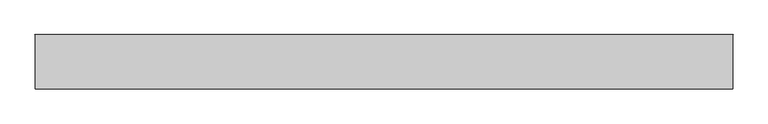
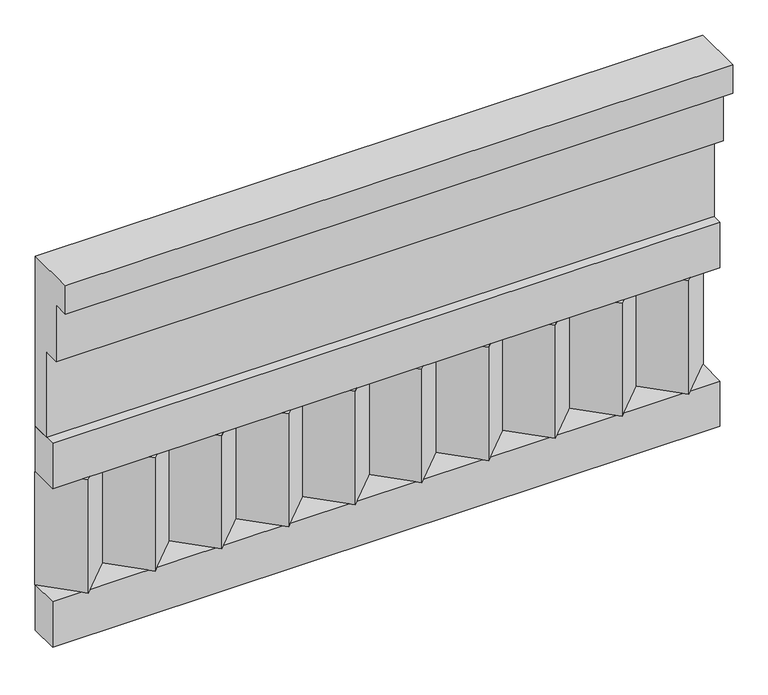
"""IFC4 building model written with IfcOpenShell, lengths in millimetres: railing geometry."""

from ifc_helpers import new_model, si_unit, frame, origin, place, context, project, spatial, polyline, outline, extrude, source, transform, mapped, element, save


def railing_c1c72d0d(model_context):
    return source(origin(), model_context, "Body", "SweptSolid", [
        extrude(outline(polyline([(-16816.8920513, 21800.0), (-16816.8920513, 21350.0), (-16866.8920513, 21350.0), (-16866.8920513, 21575.0), (-16906.8920513, 21575.0), (-16906.8920513, 21725.0), (-16946.8920513, 21725.0), (-16946.8920513, 21800.0), (-16816.8920513, 21800.0)])), frame((29560.0112841, 0.0, 0.0), z_axis=(1.0, 0.0, 0.0), x_axis=(0.0, 1.0, 0.0)), (0.0, 0.0, 1.0), 1670.0),
        extrude(outline(polyline([(29560.0112841, -16891.8920513), (29560.0112841, -16816.8920513), (31230.0112841, -16816.8920513), (31230.0112841, -16891.8920513), (29560.0112841, -16891.8920513)])), frame((0.0, 0.0, 21230.0), z_axis=(0.0, 0.0, 1.0), x_axis=(1.0, 0.0, 0.0)), (0.0, 0.0, 1.0), 120.0),
        extrude(outline(polyline([(29560.0112841, -16891.8920513), (29560.0112841, -16816.8920513), (31230.0112841, -16816.8920513), (31230.0112841, -16891.8920513), (29560.0112841, -16891.8920513)])), frame((0.0, 0.0, 20810.0), z_axis=(0.0, 0.0, 1.0), x_axis=(1.0, 0.0, 0.0)), (0.0, 0.0, 1.0), 120.0),
        extrude(outline(polyline([(31146.5112841, -16901.7448651), (31061.6584704, -16816.8920513), (31231.3640978, -16816.8920513), (31146.5112841, -16901.7448651)])), frame((0.0, 0.0, 20930.0), z_axis=(0.0, 0.0, 1.0), x_axis=(1.0, 0.0, 0.0)), (0.0, 0.0, 1.0), 300.0),
        extrude(outline(polyline([(30979.5112841, -16901.7448651), (30894.6584704, -16816.8920513), (31064.3640978, -16816.8920513), (30979.5112841, -16901.7448651)])), frame((0.0, 0.0, 20930.0), z_axis=(0.0, 0.0, 1.0), x_axis=(1.0, 0.0, 0.0)), (0.0, 0.0, 1.0), 300.0),
        extrude(outline(polyline([(30812.5112841, -16901.7448651), (30727.6584704, -16816.8920513), (30897.3640978, -16816.8920513), (30812.5112841, -16901.7448651)])), frame((0.0, 0.0, 20930.0), z_axis=(0.0, 0.0, 1.0), x_axis=(1.0, 0.0, 0.0)), (0.0, 0.0, 1.0), 300.0),
        extrude(outline(polyline([(30645.5112841, -16901.7448651), (30560.6584704, -16816.8920513), (30730.3640978, -16816.8920513), (30645.5112841, -16901.7448651)])), frame((0.0, 0.0, 20930.0), z_axis=(0.0, 0.0, 1.0), x_axis=(1.0, 0.0, 0.0)), (0.0, 0.0, 1.0), 300.0),
        extrude(outline(polyline([(30478.5112841, -16901.7448651), (30393.6584704, -16816.8920513), (30563.3640978, -16816.8920513), (30478.5112841, -16901.7448651)])), frame((0.0, 0.0, 20930.0), z_axis=(0.0, 0.0, 1.0), x_axis=(1.0, 0.0, 0.0)), (0.0, 0.0, 1.0), 300.0),
        extrude(outline(polyline([(30311.5112841, -16901.7448651), (30226.6584704, -16816.8920513), (30396.3640978, -16816.8920513), (30311.5112841, -16901.7448651)])), frame((0.0, 0.0, 20930.0), z_axis=(0.0, 0.0, 1.0), x_axis=(1.0, 0.0, 0.0)), (0.0, 0.0, 1.0), 300.0),
        extrude(outline(polyline([(30144.5112841, -16901.7448651), (30059.6584704, -16816.8920513), (30229.3640978, -16816.8920513), (30144.5112841, -16901.7448651)])), frame((0.0, 0.0, 20930.0), z_axis=(0.0, 0.0, 1.0), x_axis=(1.0, 0.0, 0.0)), (0.0, 0.0, 1.0), 300.0),
        extrude(outline(polyline([(29977.5112841, -16901.7448651), (29892.6584704, -16816.8920513), (30062.3640978, -16816.8920513), (29977.5112841, -16901.7448651)])), frame((0.0, 0.0, 20930.0), z_axis=(0.0, 0.0, 1.0), x_axis=(1.0, 0.0, 0.0)), (0.0, 0.0, 1.0), 300.0),
        extrude(outline(polyline([(29810.5112841, -16901.7448651), (29725.6584704, -16816.8920513), (29895.3640978, -16816.8920513), (29810.5112841, -16901.7448651)])), frame((0.0, 0.0, 20930.0), z_axis=(0.0, 0.0, 1.0), x_axis=(1.0, 0.0, 0.0)), (0.0, 0.0, 1.0), 300.0),
        extrude(outline(polyline([(29643.5112841, -16901.7448651), (29558.6584704, -16816.8920513), (29728.3640978, -16816.8920513), (29643.5112841, -16901.7448651)])), frame((0.0, 0.0, 20930.0), z_axis=(0.0, 0.0, 1.0), x_axis=(1.0, 0.0, 0.0)), (0.0, 0.0, 1.0), 300.0),
    ])


if __name__ == "__main__":
    model = new_model("IFC4")
    model_context = context("Model", 3, world=origin())
    ifc_project = project(units=[si_unit("LENGTHUNIT", "METRE", prefix="MILLI")], contexts=[model_context])
    site = spatial("IfcSite", under=ifc_project)
    building = spatial("IfcBuilding", under=site)
    placement = place(None, origin())
    railing_shape = railing_c1c72d0d(model_context)
    element("IfcRailing", 1, at=placement, inside=building, context=model_context, shape_type="MappedRepresentation", body=[
        mapped(railing_shape, transform((0.0, 0.0, 0.0), x_axis=(1.0, 0.0, 0.0), y_axis=(0.0, 1.0, 0.0), z_axis=(0.0, 0.0, 1.0))),
    ])
    save(model, "model.ifc")
